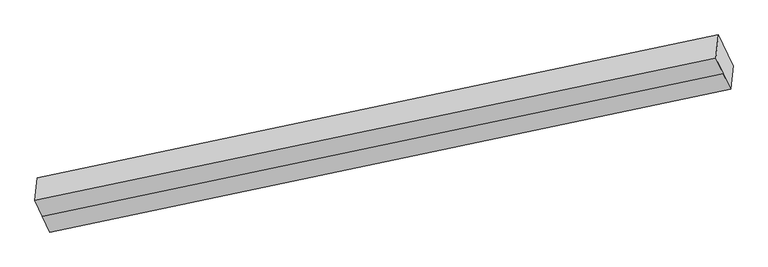
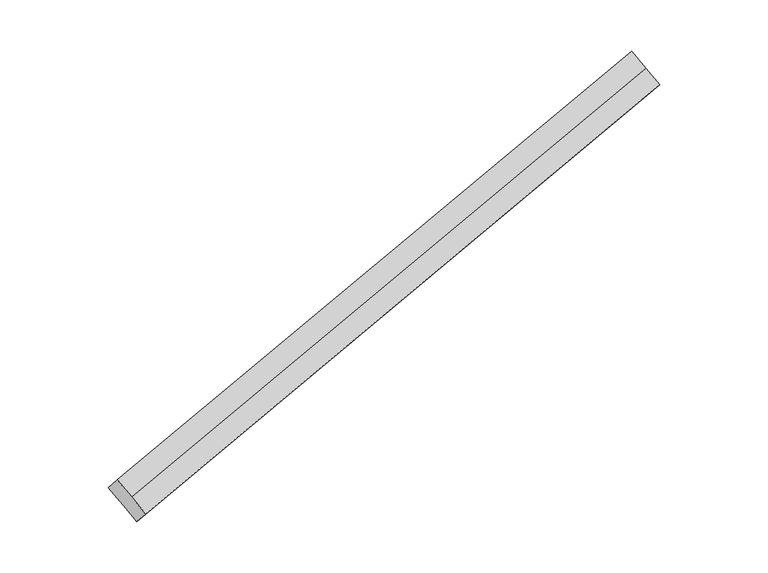
"""IFC4 building model written with IfcOpenShell, lengths in millimetres: proxy geometry."""

from ifc_helpers import new_model, si_unit, origin, place, context, project, spatial, faceted_brep, source, transform, mapped, element, save


def generic_models_14c67cec(model_context):
    return source(origin(), model_context, "Body", "Brep", [
        faceted_brep([(-5974.07501, -2102.5646803, 1258.4176327), (-5907.2197257, -2244.1837113, 1133.0296893), (162.7513687, -970.9717365, 2939.4369325), (97.562315, -832.8822691, 3061.6998388), (-5952.2072333, -1903.9545152, 1045.7576114), (120.5541982, -624.0626086, 2838.1080936), (-5869.1996443, -2079.788848, 890.0758136), (203.5617872, -799.8969414, 2682.4262958), (-5818.4966646, -2187.1925772, 794.9817248), (250.9323055, -900.2415435, 2593.582281), (-5840.3644413, -2385.8027423, 1007.641746), (227.9404223, -1109.061204, 2817.1740262)], [[[0, 1, 2, 3]], [[4, 0, 3, 5]], [[6, 4, 5, 7]], [[8, 6, 7, 9]], [[10, 8, 9, 11]], [[1, 10, 11, 2]], [[9, 7, 5, 3, 2, 11]], [[1, 0, 4, 6, 8, 10]]]),
    ])


if __name__ == "__main__":
    model = new_model("IFC4")
    model_context = context("Model", 3, world=origin())
    ifc_project = project(units=[si_unit("LENGTHUNIT", "METRE", prefix="MILLI")], contexts=[model_context])
    site = spatial("IfcSite", under=ifc_project)
    building = spatial("IfcBuilding", under=site)
    placement = place(None, origin())
    generic_models_shape = generic_models_14c67cec(model_context)
    element("IfcBuildingElementProxy", 1, Name="Generic Models", at=placement, inside=building, context=model_context, shape_type="MappedRepresentation", body=[
        mapped(generic_models_shape, transform((0.0, 0.0, 0.0), x_axis=(1.0, 0.0, 0.0), y_axis=(0.0, 1.0, 0.0), z_axis=(0.0, 0.0, 1.0))),
    ])
    save(model, "model.ifc")
